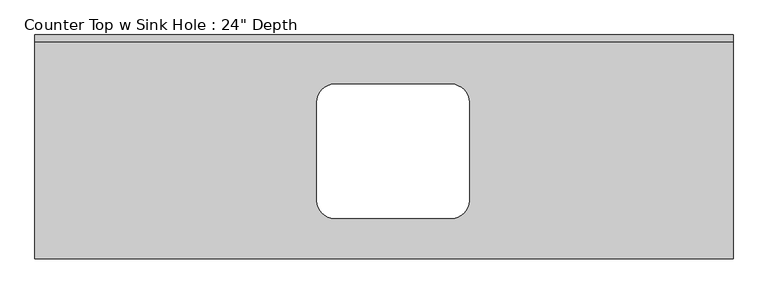
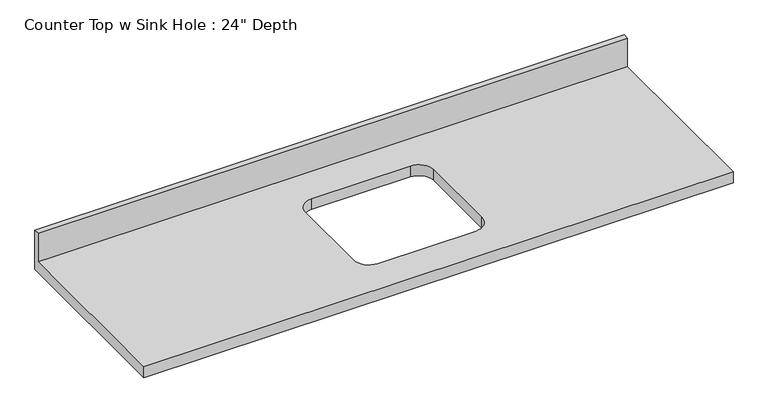
"""IFC4 building model written with IfcOpenShell, lengths in millimetres: furniture geometry."""

from ifc_helpers import new_model, si_unit, frame, origin, place, context, project, spatial, polyline, circle_curve, source, transform, mapped, element, save
from ifc_brep_helpers import plane_surface, revolved_surface, advanced_brep


def furniture_c6510c7c(model_context):
    return source(origin(), model_context, "Body", "AdvancedBrep", [
        advanced_brep(
        [(-1200.4622951, -635.0, 914.4), (780.7377049, -635.0, 914.4), (780.7377049, -19.05, 914.4), (-1200.4622951, -19.05, 914.4), (-349.5622951, -139.7, 914.4), (-19.3622951, -139.7, 914.4), (31.4377049, -190.5, 914.4), (31.4377049, -469.9, 914.4), (-19.3622951, -520.7, 914.4), (-349.5622951, -520.7, 914.4), (-400.3622951, -469.9, 914.4), (-400.3622951, -190.5, 914.4), (780.7377049, 0.0, 876.3), (780.7377049, -635.0, 876.3), (-1200.4622951, -635.0, 876.3), (-1200.4622951, 0.0, 876.3), (-19.3622951, -139.7, 876.3), (-349.5622951, -139.7, 876.3), (-400.3622951, -190.5, 876.3), (-400.3622951, -469.9, 876.3), (-349.5622951, -520.7, 876.3), (-19.3622951, -520.7, 876.3), (31.4377049, -469.9, 876.3), (31.4377049, -190.5, 876.3), (-1200.4622951, 0.0, 1016.0), (780.7377049, 0.0, 1016.0), (-1200.4622951, -19.05, 1016.0), (780.7377049, -19.05, 1016.0)],
        [
            (0, 1),
            (1, 2),
            (2, 3),
            (3, 0),
            (4, 5),
            (5, 6, circle_curve(frame((-19.3622951, -190.5, 914.4), z_axis=(0.0, 0.0, -1.0), x_axis=(1.0, 0.0, 0.0)), 50.8)),
            (6, 7),
            (7, 8, circle_curve(frame((-19.3622951, -469.9, 914.4), z_axis=(0.0, 0.0, -1.0), x_axis=(1.0, 0.0, 0.0)), 50.8)),
            (8, 9),
            (9, 10, circle_curve(frame((-349.5622951, -469.9, 914.4), z_axis=(0.0, 0.0, -1.0), x_axis=(1.0, 0.0, 0.0)), 50.8)),
            (10, 11),
            (11, 4, circle_curve(frame((-349.5622951, -190.5, 914.4), z_axis=(0.0, 0.0, -1.0), x_axis=(1.0, 0.0, 0.0)), 50.8)),
            (12, 13),
            (13, 14),
            (14, 15),
            (15, 12),
            (16, 17),
            (17, 18, circle_curve(frame((-349.5622951, -190.5, 876.3), z_axis=(0.0, 0.0, 1.0), x_axis=(1.0, 0.0, 0.0)), 50.8)),
            (18, 19),
            (19, 20, circle_curve(frame((-349.5622951, -469.9, 876.3), z_axis=(0.0, 0.0, 1.0), x_axis=(1.0, 0.0, 0.0)), 50.8)),
            (20, 21),
            (21, 22, circle_curve(frame((-19.3622951, -469.9, 876.3), z_axis=(0.0, 0.0, 1.0), x_axis=(1.0, 0.0, 0.0)), 50.8)),
            (22, 23),
            (23, 16, circle_curve(frame((-19.3622951, -190.5, 876.3), z_axis=(0.0, 0.0, 1.0), x_axis=(1.0, 0.0, 0.0)), 50.8)),
            (15, 24),
            (24, 25),
            (25, 12),
            (14, 0),
            (3, 26),
            (26, 24),
            (13, 1),
            (25, 27),
            (27, 2),
            (4, 17),
            (16, 5),
            (11, 18),
            (10, 19),
            (9, 20),
            (8, 21),
            (7, 22),
            (6, 23),
            (26, 27),
        ],
        [
            plane_surface(frame((-1200.4622951, 0.0, 914.4), z_axis=(0.0, 0.0, 1.0), x_axis=(-1.0, 0.0, 0.0))),
            plane_surface(frame((-1200.4622951, 0.0, 876.3), z_axis=(0.0, 0.0, -1.0), x_axis=(1.0, 0.0, 0.0))),
            plane_surface(frame((780.7377049, 0.0, 914.4), z_axis=(0.0, 1.0, 0.0), x_axis=(0.0, 0.0, -1.0))),
            plane_surface(frame((-1200.4622951, 0.0, 914.4), z_axis=(-1.0, 0.0, 0.0), x_axis=(0.0, 0.0, -1.0))),
            plane_surface(frame((-1200.4622951, -635.0, 914.4), z_axis=(0.0, -1.0, 0.0), x_axis=(0.0, 0.0, -1.0))),
            plane_surface(frame((780.7377049, -635.0, 914.4), z_axis=(1.0, 0.0, 0.0), x_axis=(0.0, 0.0, -1.0))),
            plane_surface(frame((-19.3622951, -139.7, 914.4), z_axis=(0.0, -1.0, 0.0), x_axis=(0.0, 0.0, -1.0))),
            revolved_surface(polyline([(-298.76229509999996, -190.5, 914.4), (-298.76229509999996, -190.5, 876.3)]), (-349.5622951, -190.5, 876.3), (0.0, 0.0, 1.0)),
            plane_surface(frame((-400.3622951, -190.5, 914.4), z_axis=(1.0, 0.0, 0.0), x_axis=(0.0, 0.0, -1.0))),
            revolved_surface(polyline([(-298.76229509999996, -469.9, 914.4), (-298.76229509999996, -469.9, 876.3)]), (-349.5622951, -469.9, 876.3), (0.0, 0.0, 1.0)),
            plane_surface(frame((-349.5622951, -520.7, 914.4), z_axis=(0.0, 1.0, 0.0), x_axis=(0.0, 0.0, -1.0))),
            revolved_surface(polyline([(31.437704899999996, -469.9, 914.4), (31.437704899999996, -469.9, 876.3)]), (-19.3622951, -469.9, 876.3), (0.0, 0.0, 1.0)),
            plane_surface(frame((31.4377049, -469.9, 914.4), z_axis=(-1.0, 0.0, 0.0), x_axis=(0.0, 0.0, -1.0))),
            revolved_surface(polyline([(31.437704899999996, -190.5, 914.4), (31.437704899999996, -190.5, 876.3)]), (-19.3622951, -190.5, 876.3), (0.0, 0.0, 1.0)),
            plane_surface(frame((-1200.4622951, 0.0, 1016.0), z_axis=(0.0, 0.0, 1.0), x_axis=(0.0, -1.0, 0.0))),
            plane_surface(frame((-1200.4622951, -19.05, 1016.0), z_axis=(0.0, -1.0, 0.0), x_axis=(0.0, 0.0, -1.0))),
        ],
        [
            (0, [[1, 2, 3, 4], [5, 6, 7, 8, 9, 10, 11, 12]]),
            (1, [[13, 14, 15, 16], [17, 18, 19, 20, 21, 22, 23, 24]]),
            (2, [[-16, 25, 26, 27]]),
            (3, [[-15, 28, -4, 29, 30, -25]]),
            (4, [[-1, -28, -14, 31]]),
            (5, [[-13, -27, 32, 33, -2, -31]]),
            (6, [[34, -17, 35, -5]]),
            (7, [[-34, -12, 36, -18]]),
            (8, [[-36, -11, 37, -19]]),
            (9, [[-37, -10, 38, -20]]),
            (10, [[-38, -9, 39, -21]]),
            (11, [[-39, -8, 40, -22]]),
            (12, [[-40, -7, 41, -23]]),
            (13, [[-35, -24, -41, -6]]),
            (14, [[-30, 42, -32, -26]]),
            (15, [[-42, -29, -3, -33]]),
        ],
    ),
    ])


if __name__ == "__main__":
    model = new_model("IFC4")
    model_context = context("Model", 3, world=origin())
    ifc_project = project(units=[si_unit("LENGTHUNIT", "METRE", prefix="MILLI")], contexts=[model_context])
    site = spatial("IfcSite", under=ifc_project)
    building = spatial("IfcBuilding", under=site)
    placement = place(None, origin())
    furniture_shape = furniture_c6510c7c(model_context)
    element("IfcFurniture", 1, ObjectType="Counter Top w Sink Hole : 24\" Depth", at=placement, inside=building, context=model_context, shape_type="MappedRepresentation", body=[
        mapped(furniture_shape, transform((0.0, 0.0, 0.0), x_axis=(1.0, 0.0, 0.0), y_axis=(0.0, 1.0, 0.0), z_axis=(0.0, 0.0, 1.0))),
    ])
    save(model, "model.ifc")
